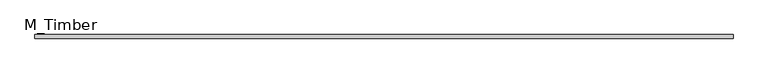
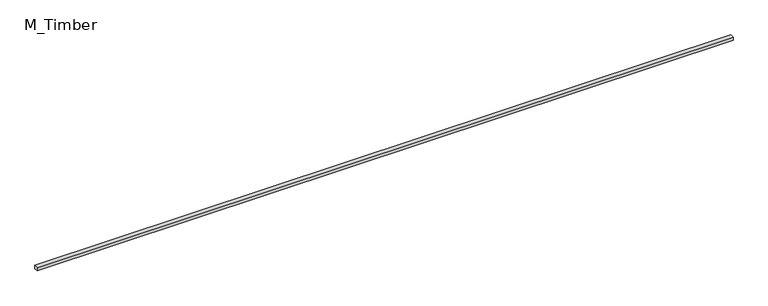
"""IFC4 building model written with IfcOpenShell, lengths in millimetres: beam geometry, M_Timber."""

from ifc_helpers import new_model, si_unit, frame, origin, place, context, project, spatial, polyline, outline, extrude, source, transform, mapped, element, save


def m_timber_685c0b33(model_context):
    return source(origin(), model_context, "Body", "SweptSolid", [
        extrude(outline(polyline([(3793.5810372, 20.0), (3793.5810372, -20.0), (-3793.5810372, -20.0), (-3793.5810372, 20.0), (3793.5810372, 20.0)])), frame((0.0, 0.0, -20.0), z_axis=(0.0, 0.0, 1.0), x_axis=(1.0, 0.0, 0.0)), (0.0, 0.0, 1.0), 40.0),
    ])


if __name__ == "__main__":
    model = new_model("IFC4")
    model_context = context("Model", 3, world=origin())
    ifc_project = project(units=[si_unit("LENGTHUNIT", "METRE", prefix="MILLI")], contexts=[model_context])
    site = spatial("IfcSite", under=ifc_project)
    building = spatial("IfcBuilding", under=site)
    placement = place(None, origin())
    m_timber_shape = m_timber_685c0b33(model_context)
    element("IfcBeam", 1, ObjectType="M_Timber", at=placement, inside=building, context=model_context, shape_type="MappedRepresentation", body=[
        mapped(m_timber_shape, transform((0.0, 0.0, 0.0), x_axis=(1.0, 0.0, 0.0), y_axis=(0.0, 1.0, 0.0), z_axis=(0.0, 0.0, 1.0))),
    ])
    save(model, "model.ifc")
